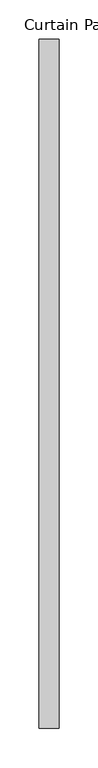
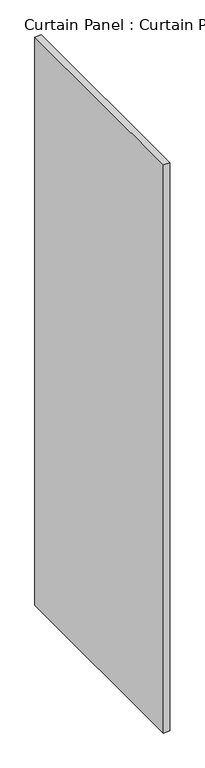
"""IFC4 building model written with IfcOpenShell, lengths in millimetres: plate geometry, Curtain Panel : Curtain Panel."""

from ifc_helpers import new_model, si_unit, frame, origin, place, context, project, spatial, polyline, outline, extrude, source, transform, mapped, element, save


def curtain_panel_curtain_panel_a5ff077f(model_context):
    return source(origin(), model_context, "Body", "SweptSolid", [
        extrude(outline(polyline([(-173914.1972439, 6685.9552048), (-173914.1972439, 5806.4802048), (-173939.5972439, 5806.4802048), (-173939.5972439, 6685.9552048), (-173914.1972439, 6685.9552048)])), frame((0.0, 0.0, 46.0375), z_axis=(0.0, 0.0, 1.0), x_axis=(1.0, 0.0, 0.0)), (0.0, 0.0, 1.0), 2374.9),
    ])


if __name__ == "__main__":
    model = new_model("IFC4")
    model_context = context("Model", 3, world=origin())
    ifc_project = project(units=[si_unit("LENGTHUNIT", "METRE", prefix="MILLI")], contexts=[model_context])
    site = spatial("IfcSite", under=ifc_project)
    building = spatial("IfcBuilding", under=site)
    placement = place(None, origin())
    curtain_panel_curtain_panel_shape = curtain_panel_curtain_panel_a5ff077f(model_context)
    element("IfcPlate", 1, ObjectType="Curtain Panel : Curtain Panel", at=placement, inside=building, context=model_context, shape_type="MappedRepresentation", body=[
        mapped(curtain_panel_curtain_panel_shape, transform((0.0, 0.0, 0.0), x_axis=(1.0, 0.0, 0.0), y_axis=(0.0, 1.0, 0.0), z_axis=(0.0, 0.0, 1.0))),
    ])
    save(model, "model.ifc")
